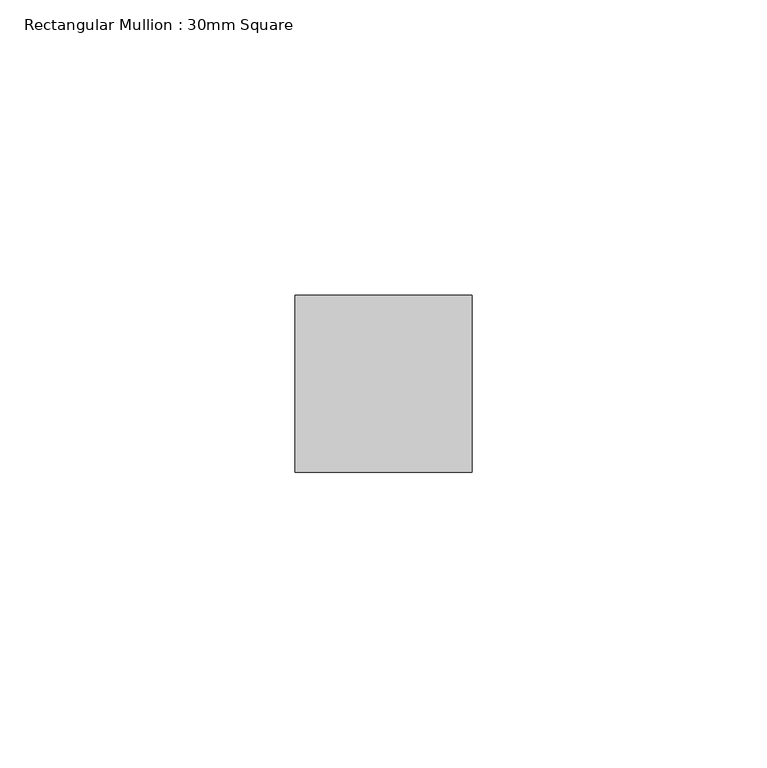
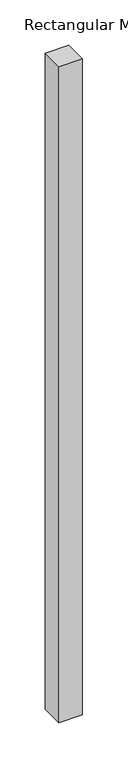
"""IFC4 building model written with IfcOpenShell, lengths in millimetres: member geometry, Rectangular Mullion : 30mm Square."""

from ifc_helpers import new_model, si_unit, frame, origin, place, context, project, spatial, polyline, outline, extrude, source, transform, mapped, element, save


def rectangular_mullion_30mm_square_8376d760(model_context):
    return source(origin(), model_context, "Body", "SweptSolid", [
        extrude(outline(polyline([(15.0, 15.0), (15.0, -15.0), (-15.0, -15.0), (-15.0, 15.0), (15.0, 15.0)])), frame((0.0, 0.0, -883.6234061), z_axis=(0.0, 0.0, 1.0), x_axis=(1.0, 0.0, 0.0)), (0.0, 0.0, 1.0), 883.6234061),
    ])


if __name__ == "__main__":
    model = new_model("IFC4")
    model_context = context("Model", 3, world=origin())
    ifc_project = project(units=[si_unit("LENGTHUNIT", "METRE", prefix="MILLI")], contexts=[model_context])
    site = spatial("IfcSite", under=ifc_project)
    building = spatial("IfcBuilding", under=site)
    placement = place(None, origin())
    rectangular_mullion_30mm_square_shape = rectangular_mullion_30mm_square_8376d760(model_context)
    element("IfcMember", 1, ObjectType="Rectangular Mullion : 30mm Square", at=placement, inside=building, context=model_context, shape_type="MappedRepresentation", body=[
        mapped(rectangular_mullion_30mm_square_shape, transform((0.0, 0.0, 0.0), x_axis=(1.0, 0.0, 0.0), y_axis=(0.0, 1.0, 0.0), z_axis=(0.0, 0.0, 1.0))),
    ])
    save(model, "model.ifc")
